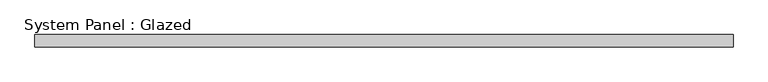
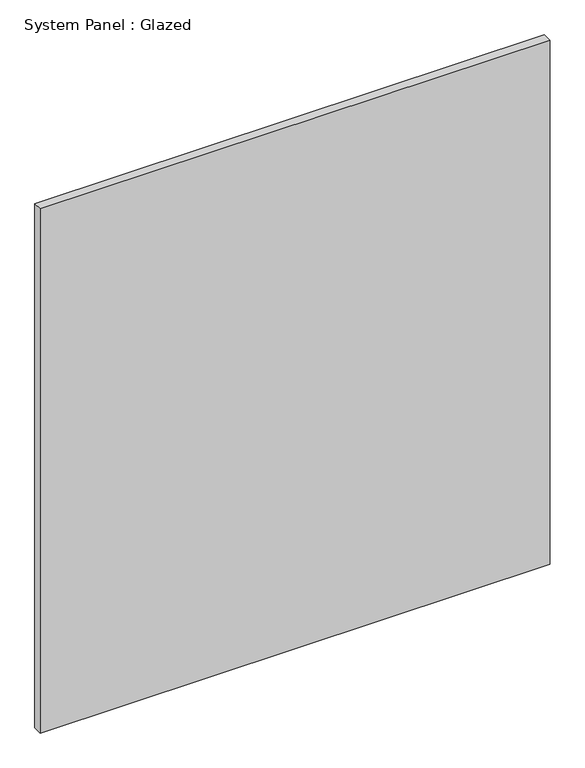
"""IFC4 building model written with IfcOpenShell, lengths in millimetres: plate geometry, System Panel : Glazed."""

import ifcopenshell
import ifcopenshell.guid

model = None  # the IFC model being written
_history = None  # IfcOwnerHistory: only IFC2X3 demands one
_inside = {}  # id of a spatial element -> (the spatial element, [elements in it])
_under = {}  # id of a project, library or spatial element -> (it, [spatial elements below it])
_declared = {}  # id of a project -> (the project, [libraries it declares])
_typed = {}  # id of a type object -> (the type object, [elements of that type])
_made_of = {}  # id of a material, layer set ... -> (it, [elements and type objects made of it])


def new_model(schema):
    """Start an empty IFC model of exactly this schema.

    Asked for "IFC4X3", IfcOpenShell would pick the latest addendum, in which some entities
    have other attributes; the version numbers below select the first issue.
    IFC2X3 requires an IfcOwnerHistory on every rooted entity: one is made here for all.
    """
    global model, _history
    if schema == "IFC4X3":
        model = ifcopenshell.file(schema_version=(4, 3, 0, 0))
    else:
        model = ifcopenshell.file(schema=schema)
    _inside.clear()
    _under.clear()
    _declared.clear()
    _typed.clear()
    _made_of.clear()
    _history = None
    if model.schema == "IFC2X3":
        org = make("IfcOrganization", Name="unknown")
        user = make(
            "IfcPersonAndOrganization",
            ThePerson=make("IfcPerson", FamilyName="unknown"),
            TheOrganization=org,
        )
        app = make(
            "IfcApplication",
            ApplicationDeveloper=org,
            Version="unknown",
            ApplicationFullName="unknown",
            ApplicationIdentifier="unknown",
        )
        _history = make(
            "IfcOwnerHistory",
            OwningUser=user,
            OwningApplication=app,
            ChangeAction="ADDED",
            CreationDate=0,
        )
    return model


def make(cls, **values):
    """One entity of the class cls with the attributes given. An attribute that is None is left unset."""
    return model.create_entity(
        cls, **{name: value for name, value in values.items() if value is not None}
    )


def rooted(cls, **values):
    """An entity with a GlobalId (a new one), such as an element, a storey or a relation."""
    return make(cls, GlobalId=ifcopenshell.guid.new(), OwnerHistory=_history, **values)


def si_unit(unit_type, name, prefix=None):
    """IfcSIUnit, for example si_unit("LENGTHUNIT", "METRE", prefix="MILLI")."""
    return make("IfcSIUnit", UnitType=unit_type, Prefix=prefix, Name=name)


def assignment(units):
    """IfcUnitAssignment: the units of a project."""
    return None if units is None else make("IfcUnitAssignment", Units=units)


def point(xyz):
    """IfcCartesianPoint."""
    return None if xyz is None else make("IfcCartesianPoint", Coordinates=xyz)


def direction(xyz):
    """IfcDirection."""
    return None if xyz is None else make("IfcDirection", DirectionRatios=xyz)


def frame(location, z_axis=None, x_axis=None):
    """IfcAxis2Placement3D, a coordinate frame: its origin and axes. An axis left out is left unset."""
    return make(
        "IfcAxis2Placement3D",
        Location=point(location),
        Axis=direction(z_axis),
        RefDirection=direction(x_axis),
    )


def origin():
    """The frame at (0, 0, 0) with its axes left unset."""
    return frame((0.0, 0.0, 0.0))


def origin_with_axes():
    """The frame at (0, 0, 0) with the z axis (0, 0, 1) and the x axis (1, 0, 0) written out."""
    return frame((0.0, 0.0, 0.0), z_axis=(0.0, 0.0, 1.0), x_axis=(1.0, 0.0, 0.0))


def place(relative_to, where):
    """IfcLocalPlacement: puts the frame where relative to a parent placement (None: the world)."""
    return make(
        "IfcLocalPlacement", PlacementRelTo=relative_to, RelativePlacement=where
    )


def context(
    kind, dimensions, precision=None, world=None, true_north=None, identifier=None
):
    """IfcGeometricRepresentationContext, for example the 3D "Model" context."""
    return make(
        "IfcGeometricRepresentationContext",
        ContextIdentifier=identifier,
        ContextType=kind,
        CoordinateSpaceDimension=dimensions,
        Precision=precision,
        WorldCoordinateSystem=world,
        TrueNorth=true_north,
    )


def project(units=None, contexts=None):
    """IfcProject with its units and contexts."""
    return rooted(
        "IfcProject",
        Name="project",
        RepresentationContexts=contexts,
        UnitsInContext=assignment(units),
    )


def spatial(cls, under=None, at=None, **own):
    """A site, building, storey or space (cls), placed at a placement, below another one or the project."""
    s = rooted(cls, ObjectPlacement=at, **own)
    if under is not None:
        _under.setdefault(under.id(), (under, []))[1].append(s)
    return s


def polyline(points):
    """IfcPolyline through the points."""
    return make("IfcPolyline", Points=[point(p) for p in points])


def outline(outer, holes=None, kind="AREA"):
    """IfcArbitraryClosedProfileDef: a profile drawn as a closed curve; with holes, ...WithVoids."""
    if holes is None:
        return make("IfcArbitraryClosedProfileDef", ProfileType=kind, OuterCurve=outer)
    return make(
        "IfcArbitraryProfileDefWithVoids",
        ProfileType=kind,
        OuterCurve=outer,
        InnerCurves=holes,
    )


def extrude(swept, where, along, depth):
    """IfcExtrudedAreaSolid: the profile swept, set in the frame where, extruded along a direction by depth."""
    return make(
        "IfcExtrudedAreaSolid",
        SweptArea=swept,
        Position=where,
        ExtrudedDirection=direction(along),
        Depth=depth,
    )


def shape(context_of_items, identifier, shape_type, items):
    """IfcShapeRepresentation: the items that make up one representation, for example the "Body"."""
    return make(
        "IfcShapeRepresentation",
        ContextOfItems=context_of_items,
        RepresentationIdentifier=identifier,
        RepresentationType=shape_type,
        Items=items,
    )


def source(mapping_origin, context_of_items, identifier, shape_type, items):
    """IfcRepresentationMap: a shape defined once, which mapped items show again and again."""
    return make(
        "IfcRepresentationMap",
        MappingOrigin=mapping_origin,
        MappedRepresentation=shape(context_of_items, identifier, shape_type, items),
    )


def transform(
    local_origin,
    x_axis=None,
    y_axis=None,
    z_axis=None,
    scale=None,
    scale2=None,
    scale3=None,
    uniform=True,
):
    """IfcCartesianTransformationOperator3D, or its non-uniform kind. x_axis, y_axis, z_axis: its Axis1, 2, 3."""
    if uniform:
        return make(
            "IfcCartesianTransformationOperator3D",
            Axis1=direction(x_axis),
            Axis2=direction(y_axis),
            LocalOrigin=point(local_origin),
            Scale=scale,
            Axis3=direction(z_axis),
        )
    return make(
        "IfcCartesianTransformationOperator3DnonUniform",
        Axis1=direction(x_axis),
        Axis2=direction(y_axis),
        LocalOrigin=point(local_origin),
        Scale=scale,
        Axis3=direction(z_axis),
        Scale2=scale2,
        Scale3=scale3,
    )


def mapped(mapping_source, mapping_target):
    """IfcMappedItem: shows the shape of a source again, moved by a transform."""
    return make(
        "IfcMappedItem", MappingSource=mapping_source, MappingTarget=mapping_target
    )


def made_of(thing, what):
    """Note that an element or type object is made of a material, layer set ...; save() writes the relation."""
    if what is not None:
        _made_of.setdefault(what.id(), (what, []))[1].append(thing)
    return thing


def element(
    cls,
    number,
    at=None,
    inside=None,
    cuts=None,
    type_object=None,
    material=None,
    context=None,
    identifier="Body",
    shape_type=None,
    held_by="IfcProductDefinitionShape",
    body=None,
    shapes=None,
    **own,
):
    """One element of the class cls, such as IfcWall. Its Tag is "e" and its number.

    at: its placement. inside: the storey or other place that contains it. cuts: it is an
    opening in that element (IfcRelVoidsElement). A single representation is given by context,
    identifier, shape_type and body (its items); several are given by shapes. held_by: the class
    of the entity that holds the representations. save() writes the other relations.
    """
    e = rooted(cls, Tag="e%d" % number, ObjectPlacement=at, **own)
    if body is not None:
        shapes = [shape(context, identifier, shape_type, body)]
    if shapes is not None:
        e.Representation = make(held_by, Representations=shapes)
    if inside is not None:
        _inside.setdefault(inside.id(), (inside, []))[1].append(e)
    if cuts is not None:
        rooted(
            "IfcRelVoidsElement", RelatingBuildingElement=cuts, RelatedOpeningElement=e
        )
    if type_object is not None:
        _typed.setdefault(type_object.id(), (type_object, []))[1].append(e)
    return made_of(e, material)


def aggregate(whole, parts):
    """IfcRelAggregates: a whole, such as a stair, and the parts it consists of."""
    return rooted("IfcRelAggregates", RelatingObject=whole, RelatedObjects=parts)


def save(model, path):
    """Write the relations noted so far, then the file.

    IfcRelAggregates (storeys below a building ...), IfcRelContainedInSpatialStructure (elements
    in a storey), IfcRelDefinesByType, IfcRelAssociatesMaterial and IfcRelDeclares: one each for
    every whole, place, type object, material and project.
    """
    for whole, parts in _under.values():
        aggregate(whole, parts)
    for where, things in _inside.values():
        rooted(
            "IfcRelContainedInSpatialStructure",
            RelatedElements=things,
            RelatingStructure=where,
        )
    for kind, things in _typed.values():
        rooted("IfcRelDefinesByType", RelatedObjects=things, RelatingType=kind)
    for what, things in _made_of.values():
        rooted("IfcRelAssociatesMaterial", RelatedObjects=things, RelatingMaterial=what)
    for by, libraries in _declared.values():
        rooted("IfcRelDeclares", RelatingContext=by, RelatedDefinitions=libraries)
    model.write(path)


def system_panel_glazed_9616978a(model_context):
    return source(origin(), model_context, "Body", "SweptSolid", [
        extrude(outline(polyline([(722.85, 19.05), (-722.85, 19.05), (-722.85, 44.45), (722.85, 44.45), (722.85, 19.05)])), origin_with_axes(), (0.0, 0.0, 1.0), 1570.7535601),
    ])


if __name__ == "__main__":
    model = new_model("IFC4")
    model_context = context("Model", 3, world=origin())
    ifc_project = project(units=[si_unit("LENGTHUNIT", "METRE", prefix="MILLI")], contexts=[model_context])
    site = spatial("IfcSite", under=ifc_project)
    building = spatial("IfcBuilding", under=site)
    placement = place(None, origin())
    system_panel_glazed_shape = system_panel_glazed_9616978a(model_context)
    element("IfcPlate", 1, ObjectType="System Panel : Glazed", at=placement, inside=building, context=model_context, shape_type="MappedRepresentation", body=[
        mapped(system_panel_glazed_shape, transform((0.0, 0.0, 0.0), x_axis=(1.0, 0.0, 0.0), y_axis=(0.0, 1.0, 0.0), z_axis=(0.0, 0.0, 1.0))),
    ])
    save(model, "model.ifc")
